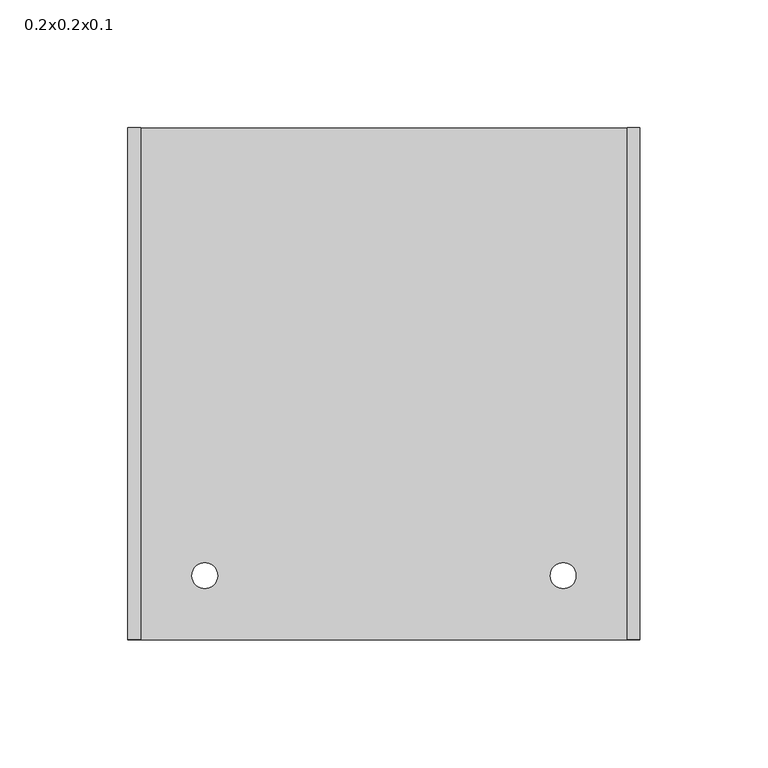
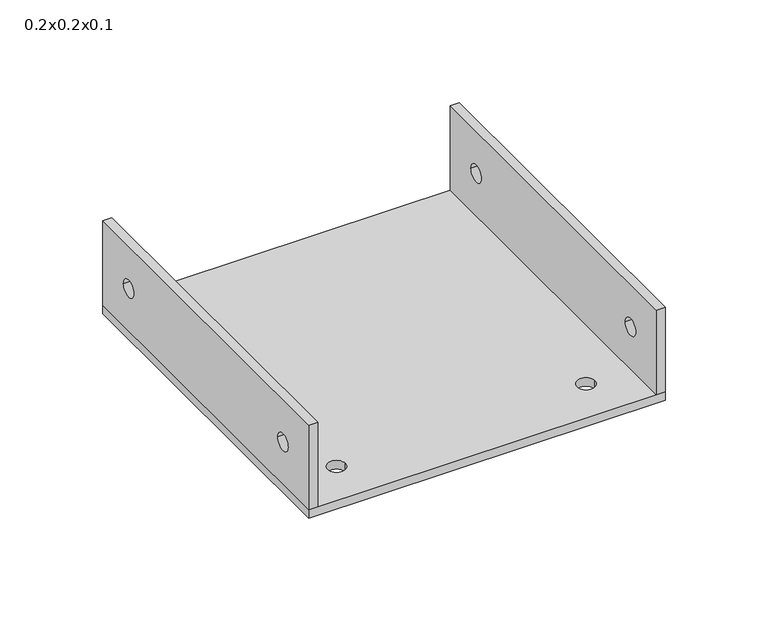
"""IFC4 building model written with IfcOpenShell, lengths in millimetres: proxy geometry, 0.2x0.2x0.1."""

from ifc_helpers import new_model, si_unit, point, frame, frame_2d, origin, origin_with_axes, place, context, project, spatial, polyline, circle_curve, trimmed, segment, composite_curve, outline, extrude, source, transform, mapped, element, save


def proxy_0_2x0_2x0_1_3c0abd99(model_context):
    return source(origin(), model_context, "Body", "SweptSolid", [
        extrude(outline(polyline([(0.0, 55.0), (200.0, 55.0), (200.0, 5.0), (0.0, 5.0), (0.0, 55.0)]), holes=[composite_curve([segment(trimmed(circle_curve(frame_2d((175.0, 30.0)), 5.0), [point((170.0, 30.0))], [point((180.0, 30.0))], True, "CARTESIAN"), True, "CONTINUOUS"), segment(trimmed(circle_curve(frame_2d((175.0, 30.0)), 5.0), [point((180.0, 30.0))], [point((170.0, 30.0))], True, "CARTESIAN"), True, "CONTINUOUS")], self_intersect=False), composite_curve([segment(trimmed(circle_curve(frame_2d((25.0, 30.0)), 5.0), [point((20.0, 30.0))], [point((30.0, 30.0))], True, "CARTESIAN"), True, "CONTINUOUS"), segment(trimmed(circle_curve(frame_2d((25.0, 30.0)), 5.0), [point((30.0, 30.0))], [point((20.0, 30.0))], True, "CARTESIAN"), True, "CONTINUOUS")], self_intersect=False)]), frame((0.0, 0.0, 0.0), z_axis=(1.0, 0.0, 0.0), x_axis=(0.0, 1.0, 0.0)), (0.0, 0.0, 1.0), 5.0),
        extrude(outline(polyline([(0.0, 55.0), (200.0, 55.0), (200.0, 5.0), (0.0, 5.0), (0.0, 55.0)]), holes=[composite_curve([segment(trimmed(circle_curve(frame_2d((175.0, 30.0)), 5.0), [point((170.0, 30.0))], [point((180.0, 30.0))], True, "CARTESIAN"), True, "CONTINUOUS"), segment(trimmed(circle_curve(frame_2d((175.0, 30.0)), 5.0), [point((180.0, 30.0))], [point((170.0, 30.0))], True, "CARTESIAN"), True, "CONTINUOUS")], self_intersect=False), composite_curve([segment(trimmed(circle_curve(frame_2d((25.0, 30.0)), 5.0), [point((20.0, 30.0))], [point((30.0, 30.0))], True, "CARTESIAN"), True, "CONTINUOUS"), segment(trimmed(circle_curve(frame_2d((25.0, 30.0)), 5.0), [point((30.0, 30.0))], [point((20.0, 30.0))], True, "CARTESIAN"), True, "CONTINUOUS")], self_intersect=False)]), frame((195.0, 0.0, 0.0), z_axis=(1.0, 0.0, 0.0), x_axis=(0.0, 1.0, 0.0)), (0.0, 0.0, 1.0), 5.0),
        extrude(outline(polyline([(200.0, 200.0), (200.0, 0.0), (0.0, 0.0), (0.0, 200.0), (200.0, 200.0)]), holes=[composite_curve([segment(trimmed(circle_curve(frame_2d((30.0, 25.0)), 5.0), [point((25.0, 25.0))], [point((35.0, 25.0))], True, "CARTESIAN"), True, "CONTINUOUS"), segment(trimmed(circle_curve(frame_2d((30.0, 25.0)), 5.0), [point((35.0, 25.0))], [point((25.0, 25.0))], True, "CARTESIAN"), True, "CONTINUOUS")], self_intersect=False), composite_curve([segment(trimmed(circle_curve(frame_2d((170.0, 25.0)), 5.0), [point((165.0, 25.0))], [point((175.0, 25.0))], True, "CARTESIAN"), True, "CONTINUOUS"), segment(trimmed(circle_curve(frame_2d((170.0, 25.0)), 5.0), [point((175.0, 25.0))], [point((165.0, 25.0))], True, "CARTESIAN"), True, "CONTINUOUS")], self_intersect=False)]), origin_with_axes(), (0.0, 0.0, 1.0), 5.0),
    ])


if __name__ == "__main__":
    model = new_model("IFC4")
    model_context = context("Model", 3, world=origin())
    ifc_project = project(units=[si_unit("LENGTHUNIT", "METRE", prefix="MILLI")], contexts=[model_context])
    site = spatial("IfcSite", under=ifc_project)
    building = spatial("IfcBuilding", under=site)
    placement = place(None, origin())
    proxy_0_2x0_2x0_1_shape = proxy_0_2x0_2x0_1_3c0abd99(model_context)
    element("IfcBuildingElementProxy", 1, Name="0.2x0.2x0.1", ObjectType="0.2x0.2x0.1", at=placement, inside=building, context=model_context, shape_type="MappedRepresentation", body=[
        mapped(proxy_0_2x0_2x0_1_shape, transform((0.0, 0.0, 0.0), x_axis=(1.0, 0.0, 0.0), y_axis=(0.0, 1.0, 0.0), z_axis=(0.0, 0.0, 1.0))),
    ])
    save(model, "model.ifc")
